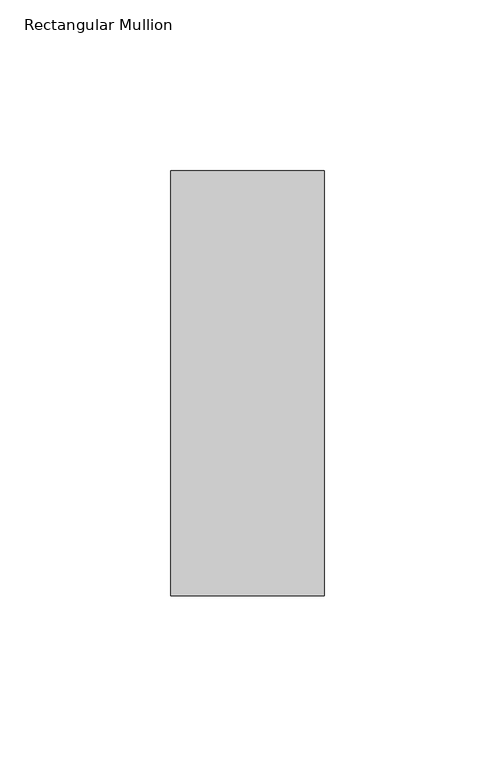
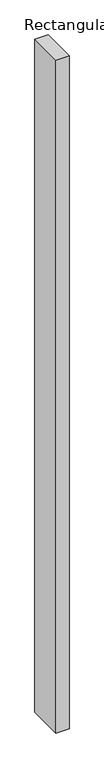
"""IFC4 building model written with IfcOpenShell, lengths in millimetres: member geometry, Rectangular Mullion."""

import ifcopenshell
import ifcopenshell.guid

model = None  # the IFC model being written
_history = None  # IfcOwnerHistory: only IFC2X3 demands one
_inside = {}  # id of a spatial element -> (the spatial element, [elements in it])
_under = {}  # id of a project, library or spatial element -> (it, [spatial elements below it])
_declared = {}  # id of a project -> (the project, [libraries it declares])
_typed = {}  # id of a type object -> (the type object, [elements of that type])
_made_of = {}  # id of a material, layer set ... -> (it, [elements and type objects made of it])


def new_model(schema):
    """Start an empty IFC model of exactly this schema.

    Asked for "IFC4X3", IfcOpenShell would pick the latest addendum, in which some entities
    have other attributes; the version numbers below select the first issue.
    IFC2X3 requires an IfcOwnerHistory on every rooted entity: one is made here for all.
    """
    global model, _history
    if schema == "IFC4X3":
        model = ifcopenshell.file(schema_version=(4, 3, 0, 0))
    else:
        model = ifcopenshell.file(schema=schema)
    _inside.clear()
    _under.clear()
    _declared.clear()
    _typed.clear()
    _made_of.clear()
    _history = None
    if model.schema == "IFC2X3":
        org = make("IfcOrganization", Name="unknown")
        user = make(
            "IfcPersonAndOrganization",
            ThePerson=make("IfcPerson", FamilyName="unknown"),
            TheOrganization=org,
        )
        app = make(
            "IfcApplication",
            ApplicationDeveloper=org,
            Version="unknown",
            ApplicationFullName="unknown",
            ApplicationIdentifier="unknown",
        )
        _history = make(
            "IfcOwnerHistory",
            OwningUser=user,
            OwningApplication=app,
            ChangeAction="ADDED",
            CreationDate=0,
        )
    return model


def make(cls, **values):
    """One entity of the class cls with the attributes given. An attribute that is None is left unset."""
    return model.create_entity(
        cls, **{name: value for name, value in values.items() if value is not None}
    )


def rooted(cls, **values):
    """An entity with a GlobalId (a new one), such as an element, a storey or a relation."""
    return make(cls, GlobalId=ifcopenshell.guid.new(), OwnerHistory=_history, **values)


def si_unit(unit_type, name, prefix=None):
    """IfcSIUnit, for example si_unit("LENGTHUNIT", "METRE", prefix="MILLI")."""
    return make("IfcSIUnit", UnitType=unit_type, Prefix=prefix, Name=name)


def assignment(units):
    """IfcUnitAssignment: the units of a project."""
    return None if units is None else make("IfcUnitAssignment", Units=units)


def point(xyz):
    """IfcCartesianPoint."""
    return None if xyz is None else make("IfcCartesianPoint", Coordinates=xyz)


def direction(xyz):
    """IfcDirection."""
    return None if xyz is None else make("IfcDirection", DirectionRatios=xyz)


def frame(location, z_axis=None, x_axis=None):
    """IfcAxis2Placement3D, a coordinate frame: its origin and axes. An axis left out is left unset."""
    return make(
        "IfcAxis2Placement3D",
        Location=point(location),
        Axis=direction(z_axis),
        RefDirection=direction(x_axis),
    )


def origin():
    """The frame at (0, 0, 0) with its axes left unset."""
    return frame((0.0, 0.0, 0.0))


def place(relative_to, where):
    """IfcLocalPlacement: puts the frame where relative to a parent placement (None: the world)."""
    return make(
        "IfcLocalPlacement", PlacementRelTo=relative_to, RelativePlacement=where
    )


def context(
    kind, dimensions, precision=None, world=None, true_north=None, identifier=None
):
    """IfcGeometricRepresentationContext, for example the 3D "Model" context."""
    return make(
        "IfcGeometricRepresentationContext",
        ContextIdentifier=identifier,
        ContextType=kind,
        CoordinateSpaceDimension=dimensions,
        Precision=precision,
        WorldCoordinateSystem=world,
        TrueNorth=true_north,
    )


def project(units=None, contexts=None):
    """IfcProject with its units and contexts."""
    return rooted(
        "IfcProject",
        Name="project",
        RepresentationContexts=contexts,
        UnitsInContext=assignment(units),
    )


def spatial(cls, under=None, at=None, **own):
    """A site, building, storey or space (cls), placed at a placement, below another one or the project."""
    s = rooted(cls, ObjectPlacement=at, **own)
    if under is not None:
        _under.setdefault(under.id(), (under, []))[1].append(s)
    return s


def polyline(points):
    """IfcPolyline through the points."""
    return make("IfcPolyline", Points=[point(p) for p in points])


def outline(outer, holes=None, kind="AREA"):
    """IfcArbitraryClosedProfileDef: a profile drawn as a closed curve; with holes, ...WithVoids."""
    if holes is None:
        return make("IfcArbitraryClosedProfileDef", ProfileType=kind, OuterCurve=outer)
    return make(
        "IfcArbitraryProfileDefWithVoids",
        ProfileType=kind,
        OuterCurve=outer,
        InnerCurves=holes,
    )


def extrude(swept, where, along, depth):
    """IfcExtrudedAreaSolid: the profile swept, set in the frame where, extruded along a direction by depth."""
    return make(
        "IfcExtrudedAreaSolid",
        SweptArea=swept,
        Position=where,
        ExtrudedDirection=direction(along),
        Depth=depth,
    )


def shape(context_of_items, identifier, shape_type, items):
    """IfcShapeRepresentation: the items that make up one representation, for example the "Body"."""
    return make(
        "IfcShapeRepresentation",
        ContextOfItems=context_of_items,
        RepresentationIdentifier=identifier,
        RepresentationType=shape_type,
        Items=items,
    )


def source(mapping_origin, context_of_items, identifier, shape_type, items):
    """IfcRepresentationMap: a shape defined once, which mapped items show again and again."""
    return make(
        "IfcRepresentationMap",
        MappingOrigin=mapping_origin,
        MappedRepresentation=shape(context_of_items, identifier, shape_type, items),
    )


def transform(
    local_origin,
    x_axis=None,
    y_axis=None,
    z_axis=None,
    scale=None,
    scale2=None,
    scale3=None,
    uniform=True,
):
    """IfcCartesianTransformationOperator3D, or its non-uniform kind. x_axis, y_axis, z_axis: its Axis1, 2, 3."""
    if uniform:
        return make(
            "IfcCartesianTransformationOperator3D",
            Axis1=direction(x_axis),
            Axis2=direction(y_axis),
            LocalOrigin=point(local_origin),
            Scale=scale,
            Axis3=direction(z_axis),
        )
    return make(
        "IfcCartesianTransformationOperator3DnonUniform",
        Axis1=direction(x_axis),
        Axis2=direction(y_axis),
        LocalOrigin=point(local_origin),
        Scale=scale,
        Axis3=direction(z_axis),
        Scale2=scale2,
        Scale3=scale3,
    )


def mapped(mapping_source, mapping_target):
    """IfcMappedItem: shows the shape of a source again, moved by a transform."""
    return make(
        "IfcMappedItem", MappingSource=mapping_source, MappingTarget=mapping_target
    )


def made_of(thing, what):
    """Note that an element or type object is made of a material, layer set ...; save() writes the relation."""
    if what is not None:
        _made_of.setdefault(what.id(), (what, []))[1].append(thing)
    return thing


def element(
    cls,
    number,
    at=None,
    inside=None,
    cuts=None,
    type_object=None,
    material=None,
    context=None,
    identifier="Body",
    shape_type=None,
    held_by="IfcProductDefinitionShape",
    body=None,
    shapes=None,
    **own,
):
    """One element of the class cls, such as IfcWall. Its Tag is "e" and its number.

    at: its placement. inside: the storey or other place that contains it. cuts: it is an
    opening in that element (IfcRelVoidsElement). A single representation is given by context,
    identifier, shape_type and body (its items); several are given by shapes. held_by: the class
    of the entity that holds the representations. save() writes the other relations.
    """
    e = rooted(cls, Tag="e%d" % number, ObjectPlacement=at, **own)
    if body is not None:
        shapes = [shape(context, identifier, shape_type, body)]
    if shapes is not None:
        e.Representation = make(held_by, Representations=shapes)
    if inside is not None:
        _inside.setdefault(inside.id(), (inside, []))[1].append(e)
    if cuts is not None:
        rooted(
            "IfcRelVoidsElement", RelatingBuildingElement=cuts, RelatedOpeningElement=e
        )
    if type_object is not None:
        _typed.setdefault(type_object.id(), (type_object, []))[1].append(e)
    return made_of(e, material)


def aggregate(whole, parts):
    """IfcRelAggregates: a whole, such as a stair, and the parts it consists of."""
    return rooted("IfcRelAggregates", RelatingObject=whole, RelatedObjects=parts)


def save(model, path):
    """Write the relations noted so far, then the file.

    IfcRelAggregates (storeys below a building ...), IfcRelContainedInSpatialStructure (elements
    in a storey), IfcRelDefinesByType, IfcRelAssociatesMaterial and IfcRelDeclares: one each for
    every whole, place, type object, material and project.
    """
    for whole, parts in _under.values():
        aggregate(whole, parts)
    for where, things in _inside.values():
        rooted(
            "IfcRelContainedInSpatialStructure",
            RelatedElements=things,
            RelatingStructure=where,
        )
    for kind, things in _typed.values():
        rooted("IfcRelDefinesByType", RelatedObjects=things, RelatingType=kind)
    for what, things in _made_of.values():
        rooted("IfcRelAssociatesMaterial", RelatedObjects=things, RelatingMaterial=what)
    for by, libraries in _declared.values():
        rooted("IfcRelDeclares", RelatingContext=by, RelatedDefinitions=libraries)
    model.write(path)


def rectangular_mullion_bc78543c(model_context):
    return source(origin(), model_context, "Body", "SweptSolid", [
        extrude(outline(polyline([(22.5, -77.84375), (-22.5, -77.84375), (-22.5, 46.84375), (22.5, 46.84375), (22.5, -77.84375)])), frame((0.0, 0.0, -2438.4), z_axis=(0.0, 0.0, 1.0), x_axis=(1.0, 0.0, 0.0)), (0.0, 0.0, 1.0), 2438.4),
    ])


if __name__ == "__main__":
    model = new_model("IFC4")
    model_context = context("Model", 3, world=origin())
    ifc_project = project(units=[si_unit("LENGTHUNIT", "METRE", prefix="MILLI")], contexts=[model_context])
    site = spatial("IfcSite", under=ifc_project)
    building = spatial("IfcBuilding", under=site)
    placement = place(None, origin())
    rectangular_mullion_shape = rectangular_mullion_bc78543c(model_context)
    element("IfcMember", 1, ObjectType="Rectangular Mullion", at=placement, inside=building, context=model_context, shape_type="MappedRepresentation", body=[
        mapped(rectangular_mullion_shape, transform((0.0, 0.0, 0.0), x_axis=(1.0, 0.0, 0.0), y_axis=(0.0, 1.0, 0.0), z_axis=(0.0, 0.0, 1.0))),
    ])
    save(model, "model.ifc")
